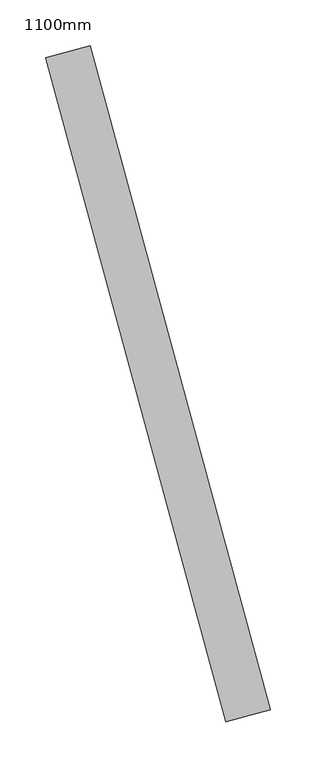
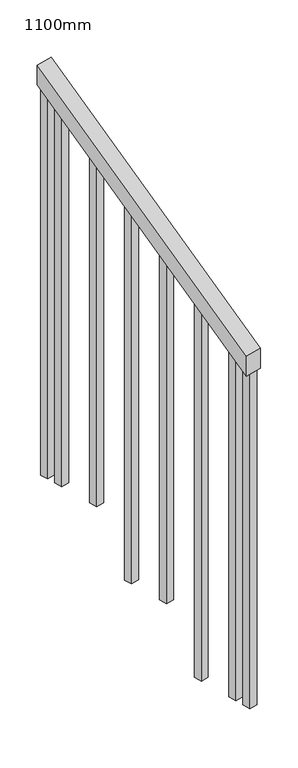
"""IFC4 building model written with IfcOpenShell, lengths in millimetres: railing geometry, 1100mm."""

from ifc_helpers import new_model, si_unit, frame, origin, place, context, project, spatial, polyline, outline, extrude, source, transform, mapped, element, save


def railing_1100mm_72c5260b(model_context):
    return source(origin(), model_context, "Body", "SweptSolid", [
        extrude(outline(polyline([(-35.5555555, -50.0), (0.0, 0.0), (920.2958461, 0.0), (884.7402906, -50.0), (-35.5555555, -50.0)])), frame((87050.3165806, -99946.3841483, 1277.7777778), z_axis=(0.9649894123601837, 0.26228883703418915, 0.0), x_axis=(-0.2137536843159581, 0.7864232597554026, 0.5795237863600082)), (0.0, 0.0, 1.0), 50.0),
        extrude(outline(polyline([(1271.980277, -25.0), (108.8888889, -25.0), (91.1111112, 0.0), (1271.980277, 0.0), (1271.980277, -25.0)])), frame((86878.7767624, -99267.6129492, 1805.3136103), z_axis=(0.9649894123601837, 0.26228883703418915, 0.0), x_axis=(0.0, 0.0, -1.0)), (0.0, 0.0, 1.0), 25.0),
        extrude(outline(polyline([(1183.0913881, -25.0), (108.8888889, -25.0), (91.1111111, 0.0), (1183.0913881, 0.0), (1183.0913881, -25.0)])), frame((86911.562867, -99388.2366257, 1716.4247214), z_axis=(0.9649894123601837, 0.26228883703418915, 0.0), x_axis=(0.0, 0.0, -1.0)), (0.0, 0.0, 1.0), 25.0),
        extrude(outline(polyline([(1271.9802769, -25.0), (108.8888889, -25.0), (91.1111111, 0.0), (1271.9802769, 0.0), (1271.9802769, -25.0)])), frame((86944.3489716, -99508.8603023, 1627.5358325), z_axis=(0.9649894123601837, 0.26228883703418915, 0.0), x_axis=(0.0, 0.0, -1.0)), (0.0, 0.0, 1.0), 25.0),
        extrude(outline(polyline([(1183.091388, -25.0), (108.8888889, -25.0), (91.1111111, 0.0), (1183.091388, 0.0), (1183.091388, -25.0)])), frame((86977.1350763, -99629.4839788, 1538.6469436), z_axis=(0.9649894123601837, 0.26228883703418915, 0.0), x_axis=(0.0, 0.0, -1.0)), (0.0, 0.0, 1.0), 25.0),
        extrude(outline(polyline([(1271.9802769, -25.0), (108.8888889, -25.0), (91.1111111, 0.0), (1271.9802769, 0.0), (1271.9802769, -25.0)])), frame((87009.9211809, -99750.1076554, 1449.7580547), z_axis=(0.9649894123601837, 0.26228883703418915, 0.0), x_axis=(0.0, 0.0, -1.0)), (0.0, 0.0, 1.0), 25.0),
        extrude(outline(polyline([(1183.091388, -25.0), (108.8888889, -25.0), (91.1111111, 0.0), (1183.091388, 0.0), (1183.091388, -25.0)])), frame((87042.7072855, -99870.7313319, 1360.8691658), z_axis=(0.9649894123601837, 0.26228883703418915, 0.0), x_axis=(0.0, 0.0, -1.0)), (0.0, 0.0, 1.0), 25.0),
        extrude(outline(polyline([(1307.5358325, -25.0), (108.8888889, -25.0), (91.1111111, 0.0), (1307.5358325, 0.0), (1307.5358325, -25.0)])), frame((86865.6623205, -99219.3634786, 1840.8691658), z_axis=(0.9649894123601837, 0.26228883703418915, 0.0), x_axis=(0.0, 0.0, -1.0)), (0.0, 0.0, 1.0), 25.0),
        extrude(outline(polyline([(1147.5358325, -25.0), (108.8888889, -25.0), (91.1111112, 0.0), (1147.5358325, 0.0), (1147.5358325, -25.0)])), frame((87055.8217274, -99918.9808025, 1325.3136103), z_axis=(0.9649894123601837, 0.26228883703418915, 0.0), x_axis=(0.0, 0.0, -1.0)), (0.0, 0.0, 1.0), 25.0),
    ])


if __name__ == "__main__":
    model = new_model("IFC4")
    model_context = context("Model", 3, world=origin())
    ifc_project = project(units=[si_unit("LENGTHUNIT", "METRE", prefix="MILLI")], contexts=[model_context])
    site = spatial("IfcSite", under=ifc_project)
    building = spatial("IfcBuilding", under=site)
    placement = place(None, origin())
    railing_1100mm_shape = railing_1100mm_72c5260b(model_context)
    element("IfcRailing", 1, ObjectType="1100mm", at=placement, inside=building, context=model_context, shape_type="MappedRepresentation", body=[
        mapped(railing_1100mm_shape, transform((0.0, 0.0, 0.0), x_axis=(1.0, 0.0, 0.0), y_axis=(0.0, 1.0, 0.0), z_axis=(0.0, 0.0, 1.0))),
    ])
    save(model, "model.ifc")
